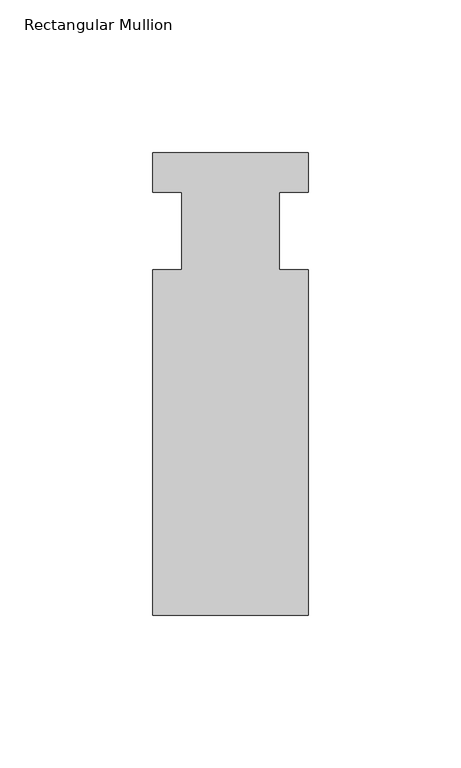
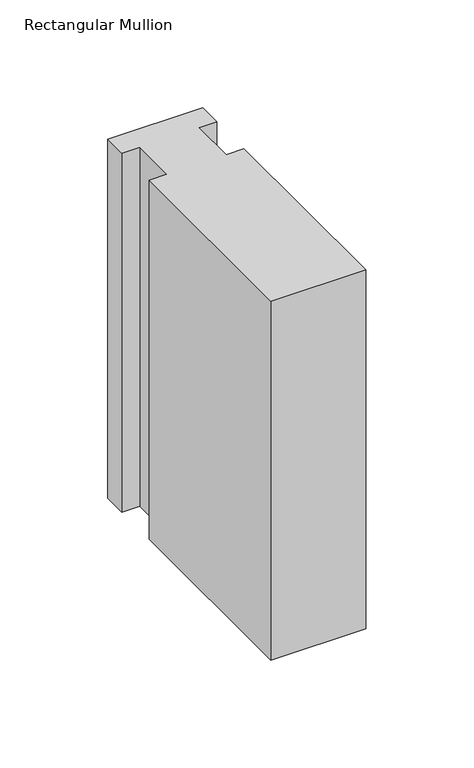
"""IFC4 building model written with IfcOpenShell, lengths in millimetres: member geometry, Rectangular Mullion."""

from ifc_helpers import new_model, si_unit, frame, origin, place, context, project, spatial, polyline, outline, extrude, source, transform, mapped, element, save


def rectangular_mullion_405761d9(model_context):
    return source(origin(), model_context, "Body", "SweptSolid", [
        extrude(outline(polyline([(-25.4, 25.5984375), (25.4, 25.5984375), (25.4, 12.7), (15.875, 12.7), (15.875, -12.7), (25.4, -12.7), (25.4, -125.6109375), (-25.4, -125.6109375), (-25.4, -12.7), (-15.875, -12.7), (-15.875, 12.7), (-25.4, 12.7), (-25.4, 25.5984375)])), frame((0.0, 0.0, -203.2), z_axis=(0.0, 0.0, 1.0), x_axis=(1.0, 0.0, 0.0)), (0.0, 0.0, 1.0), 203.2),
    ])


if __name__ == "__main__":
    model = new_model("IFC4")
    model_context = context("Model", 3, world=origin())
    ifc_project = project(units=[si_unit("LENGTHUNIT", "METRE", prefix="MILLI")], contexts=[model_context])
    site = spatial("IfcSite", under=ifc_project)
    building = spatial("IfcBuilding", under=site)
    placement = place(None, origin())
    rectangular_mullion_shape = rectangular_mullion_405761d9(model_context)
    element("IfcMember", 1, ObjectType="Rectangular Mullion", at=placement, inside=building, context=model_context, shape_type="MappedRepresentation", body=[
        mapped(rectangular_mullion_shape, transform((0.0, 0.0, 0.0), x_axis=(1.0, 0.0, 0.0), y_axis=(0.0, 1.0, 0.0), z_axis=(0.0, 0.0, 1.0))),
    ])
    save(model, "model.ifc")
